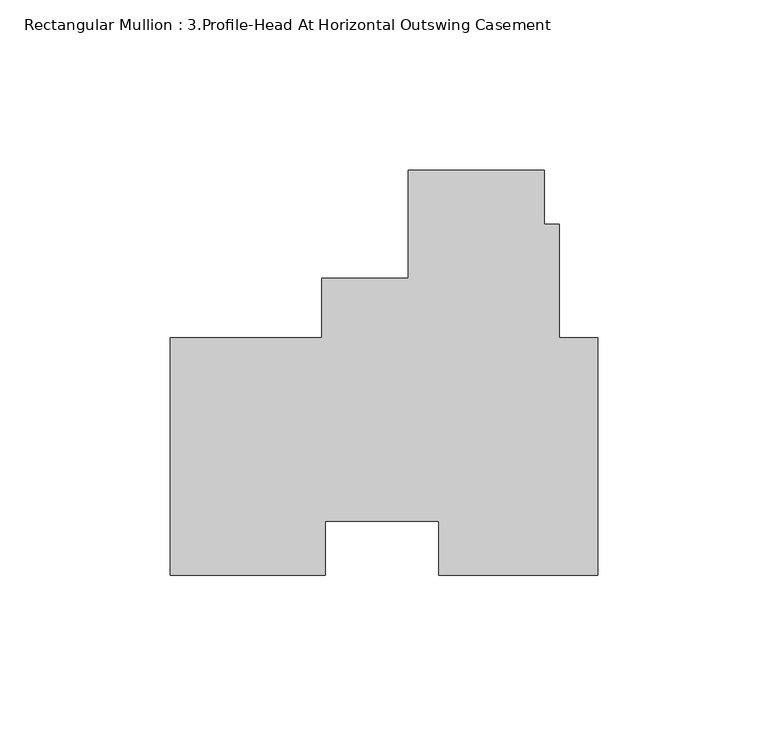
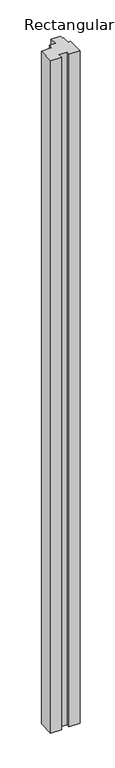
"""IFC4 building model written with IfcOpenShell, lengths in millimetres: member geometry, Rectangular Mullion : 3.Profile-Head At Horizontal Outswing Casement."""

import ifcopenshell
import ifcopenshell.guid

model = None  # the IFC model being written
_history = None  # IfcOwnerHistory: only IFC2X3 demands one
_inside = {}  # id of a spatial element -> (the spatial element, [elements in it])
_under = {}  # id of a project, library or spatial element -> (it, [spatial elements below it])
_declared = {}  # id of a project -> (the project, [libraries it declares])
_typed = {}  # id of a type object -> (the type object, [elements of that type])
_made_of = {}  # id of a material, layer set ... -> (it, [elements and type objects made of it])


def new_model(schema):
    """Start an empty IFC model of exactly this schema.

    Asked for "IFC4X3", IfcOpenShell would pick the latest addendum, in which some entities
    have other attributes; the version numbers below select the first issue.
    IFC2X3 requires an IfcOwnerHistory on every rooted entity: one is made here for all.
    """
    global model, _history
    if schema == "IFC4X3":
        model = ifcopenshell.file(schema_version=(4, 3, 0, 0))
    else:
        model = ifcopenshell.file(schema=schema)
    _inside.clear()
    _under.clear()
    _declared.clear()
    _typed.clear()
    _made_of.clear()
    _history = None
    if model.schema == "IFC2X3":
        org = make("IfcOrganization", Name="unknown")
        user = make(
            "IfcPersonAndOrganization",
            ThePerson=make("IfcPerson", FamilyName="unknown"),
            TheOrganization=org,
        )
        app = make(
            "IfcApplication",
            ApplicationDeveloper=org,
            Version="unknown",
            ApplicationFullName="unknown",
            ApplicationIdentifier="unknown",
        )
        _history = make(
            "IfcOwnerHistory",
            OwningUser=user,
            OwningApplication=app,
            ChangeAction="ADDED",
            CreationDate=0,
        )
    return model


def make(cls, **values):
    """One entity of the class cls with the attributes given. An attribute that is None is left unset."""
    return model.create_entity(
        cls, **{name: value for name, value in values.items() if value is not None}
    )


def rooted(cls, **values):
    """An entity with a GlobalId (a new one), such as an element, a storey or a relation."""
    return make(cls, GlobalId=ifcopenshell.guid.new(), OwnerHistory=_history, **values)


def si_unit(unit_type, name, prefix=None):
    """IfcSIUnit, for example si_unit("LENGTHUNIT", "METRE", prefix="MILLI")."""
    return make("IfcSIUnit", UnitType=unit_type, Prefix=prefix, Name=name)


def assignment(units):
    """IfcUnitAssignment: the units of a project."""
    return None if units is None else make("IfcUnitAssignment", Units=units)


def point(xyz):
    """IfcCartesianPoint."""
    return None if xyz is None else make("IfcCartesianPoint", Coordinates=xyz)


def direction(xyz):
    """IfcDirection."""
    return None if xyz is None else make("IfcDirection", DirectionRatios=xyz)


def frame(location, z_axis=None, x_axis=None):
    """IfcAxis2Placement3D, a coordinate frame: its origin and axes. An axis left out is left unset."""
    return make(
        "IfcAxis2Placement3D",
        Location=point(location),
        Axis=direction(z_axis),
        RefDirection=direction(x_axis),
    )


def origin():
    """The frame at (0, 0, 0) with its axes left unset."""
    return frame((0.0, 0.0, 0.0))


def place(relative_to, where):
    """IfcLocalPlacement: puts the frame where relative to a parent placement (None: the world)."""
    return make(
        "IfcLocalPlacement", PlacementRelTo=relative_to, RelativePlacement=where
    )


def context(
    kind, dimensions, precision=None, world=None, true_north=None, identifier=None
):
    """IfcGeometricRepresentationContext, for example the 3D "Model" context."""
    return make(
        "IfcGeometricRepresentationContext",
        ContextIdentifier=identifier,
        ContextType=kind,
        CoordinateSpaceDimension=dimensions,
        Precision=precision,
        WorldCoordinateSystem=world,
        TrueNorth=true_north,
    )


def project(units=None, contexts=None):
    """IfcProject with its units and contexts."""
    return rooted(
        "IfcProject",
        Name="project",
        RepresentationContexts=contexts,
        UnitsInContext=assignment(units),
    )


def spatial(cls, under=None, at=None, **own):
    """A site, building, storey or space (cls), placed at a placement, below another one or the project."""
    s = rooted(cls, ObjectPlacement=at, **own)
    if under is not None:
        _under.setdefault(under.id(), (under, []))[1].append(s)
    return s


def polyline(points):
    """IfcPolyline through the points."""
    return make("IfcPolyline", Points=[point(p) for p in points])


def outline(outer, holes=None, kind="AREA"):
    """IfcArbitraryClosedProfileDef: a profile drawn as a closed curve; with holes, ...WithVoids."""
    if holes is None:
        return make("IfcArbitraryClosedProfileDef", ProfileType=kind, OuterCurve=outer)
    return make(
        "IfcArbitraryProfileDefWithVoids",
        ProfileType=kind,
        OuterCurve=outer,
        InnerCurves=holes,
    )


def extrude(swept, where, along, depth):
    """IfcExtrudedAreaSolid: the profile swept, set in the frame where, extruded along a direction by depth."""
    return make(
        "IfcExtrudedAreaSolid",
        SweptArea=swept,
        Position=where,
        ExtrudedDirection=direction(along),
        Depth=depth,
    )


def shape(context_of_items, identifier, shape_type, items):
    """IfcShapeRepresentation: the items that make up one representation, for example the "Body"."""
    return make(
        "IfcShapeRepresentation",
        ContextOfItems=context_of_items,
        RepresentationIdentifier=identifier,
        RepresentationType=shape_type,
        Items=items,
    )


def source(mapping_origin, context_of_items, identifier, shape_type, items):
    """IfcRepresentationMap: a shape defined once, which mapped items show again and again."""
    return make(
        "IfcRepresentationMap",
        MappingOrigin=mapping_origin,
        MappedRepresentation=shape(context_of_items, identifier, shape_type, items),
    )


def transform(
    local_origin,
    x_axis=None,
    y_axis=None,
    z_axis=None,
    scale=None,
    scale2=None,
    scale3=None,
    uniform=True,
):
    """IfcCartesianTransformationOperator3D, or its non-uniform kind. x_axis, y_axis, z_axis: its Axis1, 2, 3."""
    if uniform:
        return make(
            "IfcCartesianTransformationOperator3D",
            Axis1=direction(x_axis),
            Axis2=direction(y_axis),
            LocalOrigin=point(local_origin),
            Scale=scale,
            Axis3=direction(z_axis),
        )
    return make(
        "IfcCartesianTransformationOperator3DnonUniform",
        Axis1=direction(x_axis),
        Axis2=direction(y_axis),
        LocalOrigin=point(local_origin),
        Scale=scale,
        Axis3=direction(z_axis),
        Scale2=scale2,
        Scale3=scale3,
    )


def mapped(mapping_source, mapping_target):
    """IfcMappedItem: shows the shape of a source again, moved by a transform."""
    return make(
        "IfcMappedItem", MappingSource=mapping_source, MappingTarget=mapping_target
    )


def made_of(thing, what):
    """Note that an element or type object is made of a material, layer set ...; save() writes the relation."""
    if what is not None:
        _made_of.setdefault(what.id(), (what, []))[1].append(thing)
    return thing


def element(
    cls,
    number,
    at=None,
    inside=None,
    cuts=None,
    type_object=None,
    material=None,
    context=None,
    identifier="Body",
    shape_type=None,
    held_by="IfcProductDefinitionShape",
    body=None,
    shapes=None,
    **own,
):
    """One element of the class cls, such as IfcWall. Its Tag is "e" and its number.

    at: its placement. inside: the storey or other place that contains it. cuts: it is an
    opening in that element (IfcRelVoidsElement). A single representation is given by context,
    identifier, shape_type and body (its items); several are given by shapes. held_by: the class
    of the entity that holds the representations. save() writes the other relations.
    """
    e = rooted(cls, Tag="e%d" % number, ObjectPlacement=at, **own)
    if body is not None:
        shapes = [shape(context, identifier, shape_type, body)]
    if shapes is not None:
        e.Representation = make(held_by, Representations=shapes)
    if inside is not None:
        _inside.setdefault(inside.id(), (inside, []))[1].append(e)
    if cuts is not None:
        rooted(
            "IfcRelVoidsElement", RelatingBuildingElement=cuts, RelatedOpeningElement=e
        )
    if type_object is not None:
        _typed.setdefault(type_object.id(), (type_object, []))[1].append(e)
    return made_of(e, material)


def aggregate(whole, parts):
    """IfcRelAggregates: a whole, such as a stair, and the parts it consists of."""
    return rooted("IfcRelAggregates", RelatingObject=whole, RelatedObjects=parts)


def save(model, path):
    """Write the relations noted so far, then the file.

    IfcRelAggregates (storeys below a building ...), IfcRelContainedInSpatialStructure (elements
    in a storey), IfcRelDefinesByType, IfcRelAssociatesMaterial and IfcRelDeclares: one each for
    every whole, place, type object, material and project.
    """
    for whole, parts in _under.values():
        aggregate(whole, parts)
    for where, things in _inside.values():
        rooted(
            "IfcRelContainedInSpatialStructure",
            RelatedElements=things,
            RelatingStructure=where,
        )
    for kind, things in _typed.values():
        rooted("IfcRelDefinesByType", RelatedObjects=things, RelatingType=kind)
    for what, things in _made_of.values():
        rooted("IfcRelAssociatesMaterial", RelatedObjects=things, RelatingMaterial=what)
    for by, libraries in _declared.values():
        rooted("IfcRelDeclares", RelatingContext=by, RelatedDefinitions=libraries)
    model.write(path)


def rectangular_mullion_3_profile_head_at_horizontal_outswing_ee1e8cd1(model_context):
    return source(origin(), model_context, "Body", "SweptSolid", [
        extrude(outline(polyline([(-125.7808, 34.925), (-81.140198, 34.925), (-81.140198, 52.4002), (-55.740198, 52.4002), (-55.740198, 84.14837), (-15.7432204, 84.14837), (-15.7432204, 68.2742795), (-11.2982204, 68.2742795), (-11.2982204, 34.925), (0.0, 34.925), (0.0, -34.925), (-46.8444686, -34.925), (-46.8444686, -19.05), (-80.20749, -19.05), (-80.20749, -34.925), (-125.7808, -34.925), (-125.7808, 34.925)])), frame((0.0, 0.0, -3048.0), z_axis=(0.0, 0.0, 1.0), x_axis=(1.0, 0.0, 0.0)), (0.0, 0.0, 1.0), 3048.0),
    ])


if __name__ == "__main__":
    model = new_model("IFC4")
    model_context = context("Model", 3, world=origin())
    ifc_project = project(units=[si_unit("LENGTHUNIT", "METRE", prefix="MILLI")], contexts=[model_context])
    site = spatial("IfcSite", under=ifc_project)
    building = spatial("IfcBuilding", under=site)
    placement = place(None, origin())
    rectangular_mullion_3_profile_head_at_horizontal_outswing_shape = rectangular_mullion_3_profile_head_at_horizontal_outswing_ee1e8cd1(model_context)
    element("IfcMember", 1, ObjectType="Rectangular Mullion : 3.Profile-Head At Horizontal Outswing Casement", at=placement, inside=building, context=model_context, shape_type="MappedRepresentation", body=[
        mapped(rectangular_mullion_3_profile_head_at_horizontal_outswing_shape, transform((0.0, 0.0, 0.0), x_axis=(1.0, 0.0, 0.0), y_axis=(0.0, 1.0, 0.0), z_axis=(0.0, 0.0, 1.0))),
    ])
    save(model, "model.ifc")
